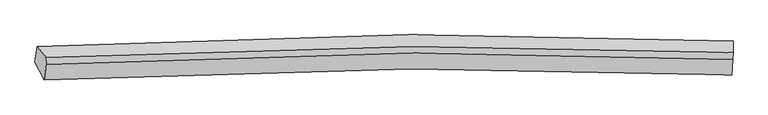
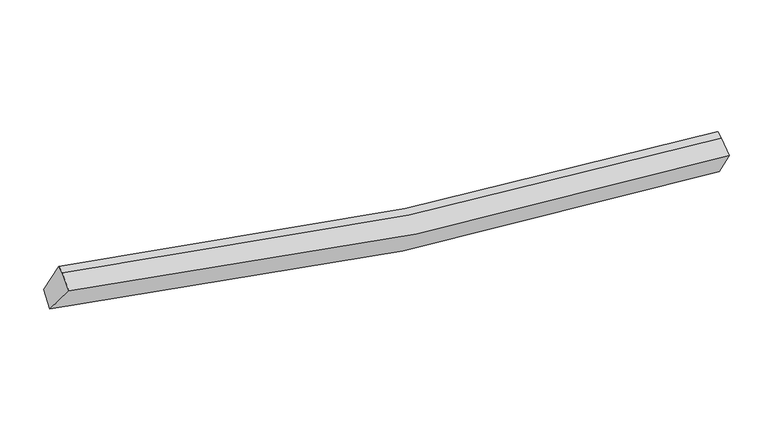
"""IFC4 building model written with IfcOpenShell, lengths in millimetres: proxy geometry."""

from ifc_helpers import new_model, si_unit, frame, origin, place, context, project, spatial, source, transform, mapped, element, save
from ifc_brep_helpers import plane_surface, spline_curve, spline_surface, advanced_brep


def generic_models_b367b0fd(model_context):
    return source(origin(), model_context, "Body", "AdvancedBrep", [
        advanced_brep(
        [(-7002.794632, -2545.094377, 4385.9655256), (-7197.653768, -2160.7264175, 3809.1716379), (7578.9496694, -2052.5333016, 1758.1323094), (7574.0652889, -2439.1242697, 2365.5230948), (-6961.1909362, -2221.3842922, 4597.6974941), (7590.711552, -2115.6919441, 2581.0780661), (-6954.2445693, -2071.7475954, 4653.9167698), (7597.6579189, -1966.0552473, 2637.2973418), (-7149.9576775, -1832.9320368, 4042.4525368), (7596.1451513, -1725.0783718, 1996.08532)],
        [
            (0, 1),
            (1, 2, spline_curve(3, [(-7197.653768, -2160.7264175, 3809.1716379), (-4587.994858914, -2015.202520698, 3111.009017974), (-1957.073484451, -1937.515695848, 2590.576540168), (2974.02480522, -1919.202448393, 1953.403929347), (5268.637910969, -1960.82490147, 1790.156631279), (7578.9496694, -2052.5333016, 1758.1323094)], [4, 2, 4], [0.0, 26.22003486790493, 48.749851806234005])),
            (2, 3),
            (3, 0, spline_curve(3, [(7574.0652889, -2439.1242697, 2365.5230948), (5290.896041297, -2348.67961056, 2397.572545685), (3025.102169051, -2307.578592705, 2558.655024239), (-1840.009201962, -2325.413919363, 3186.404815205), (-4433.168636462, -2401.838306949, 3698.803148104), (-7002.794632, -2545.094377, 4385.9655256)], [4, 2, 4], [0.0, 22.529816938329077, 48.749851806234005])),
            (4, 0),
            (3, 5),
            (5, 4, spline_curve(3, [(7590.711552, -2115.6919441, 2581.0780661), (5308.349387032, -2013.123962862, 2624.839871861), (3044.766439074, -1965.482659539, 2791.94964506), (-1812.523327748, -1981.246697793, 3420.43996285), (-4399.574541706, -2064.118784521, 3925.536665631), (-6961.1909362, -2221.3842922, 4597.6974941)], [4, 2, 4], [0.0, 22.35570451079928, 48.37310861906408])),
            (6, 4),
            (5, 7),
            (7, 6, spline_curve(3, [(7597.6579189, -1966.0552473, 2637.2973418), (5315.02668978, -1869.28337993, 2678.881517461), (3051.299024841, -1824.759507871, 2844.820056033), (-1806.034811659, -1841.47290661, 3472.953694087), (-4392.941310106, -1921.227562326, 3979.221631968), (-6954.2445693, -2071.7475954, 4653.9167698)], [4, 2, 4], [0.0, 22.32216669946083, 48.300539750123406])),
            (8, 6),
            (7, 9),
            (9, 8, spline_curve(3, [(7596.1451513, -1725.0783718, 1996.08532), (5289.841252082, -1624.870791696, 2031.449749999), (2999.555249175, -1578.652901064, 2196.160891154), (-1921.48931507, -1595.46945993, 2832.441104113), (-4546.570922072, -1677.638572583, 3349.852368579), (-7149.9576775, -1832.9320368, 4042.4525368)], [4, 2, 4], [0.0, 22.48594327672495, 48.65491830068211])),
            (1, 8),
            (9, 2),
        ],
        [
            spline_surface(3, 3, [[(-7002.794632, -2545.094377, 4385.9655256), (-4433.168636093, -2401.838306846, 3698.803147714), (-1840.009201739, -2325.413919693, 3186.404815584), (3025.102168859, -2307.578592421, 2558.655023913), (5290.896041444, -2348.679610433, 2397.572545746), (7574.0652889, -2439.1242697, 2365.5230948)], [(-7067.747677315, -2416.971723841, 4193.700896373), (-4484.777377018, -2272.959711382, 3502.871771058), (-1879.030629445, -2196.114511673, 2987.795390388), (3008.07638111, -2178.119877819, 2356.904659143), (5283.476664527, -2219.394707425, 2195.100574215), (7575.693415735, -2310.260613654, 2163.059499669)], [(-7132.700722685, -2288.849070659, 4001.436267127), (-4536.386117999, -2144.081115895, 3306.940394383), (-1918.052057175, -2066.815103633, 2789.185965134), (2991.050593339, -2048.661163197, 2155.154294315), (5276.057287604, -2090.109804455, 1992.628602677), (7577.321542565, -2181.396957646, 1960.595904531)], [(-7197.653768, -2160.7264175, 3809.1716379), (-4587.994858925, -2015.202520431, 3111.009017727), (-1957.073484881, -1937.515695613, 2590.576539938), (2974.02480559, -1919.202448596, 1953.403929545), (5268.637910687, -1960.824901447, 1790.156631146), (7578.9496694, -2052.5333016, 1758.1323094)]], [4, 4], [4, 2, 4], [0.0, 2.361950422353714], [0.0, 26.22003486790493, 48.749851806234005]),
            spline_surface(3, 3, [[(-6961.1909362, -2221.3842922, 4597.6974941), (-4399.574542057, -2064.118784243, 3925.536665802), (-1812.523327567, -1981.246698, 3420.439962995), (3044.766438918, -1965.482659361, 2791.949644935), (5308.349387181, -2013.123962897, 2624.839871729), (7590.711552, -2115.6919441, 2581.0780661)], [(-6975.058834801, -2329.287653787, 4527.120171246), (-4410.772573403, -2176.691958431, 3849.958826419), (-1821.685285607, -2095.96910524, 3342.428247182), (3038.211682249, -2079.514637056, 2714.184771252), (5302.531605291, -2124.975845413, 2549.084096389), (7585.162797656, -2223.502719304, 2509.226408988)], [(-6988.926733399, -2437.191015413, 4456.542848454), (-4421.970604747, -2289.265132658, 3774.380987097), (-1830.847243698, -2210.691512454, 3264.416531397), (3031.656925528, -2193.546614725, 2636.419897596), (5296.713823334, -2236.827727917, 2473.328321086), (7579.614043244, -2331.313494496, 2437.374751912)], [(-7002.794632, -2545.094377, 4385.9655256), (-4433.168636093, -2401.838306846, 3698.803147714), (-1840.009201739, -2325.413919693, 3186.404815584), (3025.102168859, -2307.578592421, 2558.655023913), (5290.896041444, -2348.679610433, 2397.572545746), (7574.0652889, -2439.1242697, 2365.5230948)]], [4, 4], [4, 2, 4], [0.0, 1.3643215049781656], [0.0, 26.017404108264795, 48.37310861906408]),
            spline_surface(3, 3, [[(-6954.2445693, -2071.7475954, 4653.9167698), (-4392.941310522, -1921.227562057, 3979.221632038), (-1806.034812077, -1841.472906947, 3472.95369425), (3051.299025201, -1824.759507581, 2844.820055893), (5315.026689509, -1869.283379983, 2678.881517667), (7597.6579189, -1966.0552473, 2637.2973418)], [(-6956.560024939, -2121.626494333, 4635.17701124), (-4395.152387706, -1968.857969452, 3961.326643299), (-1808.197650602, -1888.064170614, 3455.449117149), (3049.121496412, -1871.667224824, 2827.196585557), (5312.800922061, -1917.230240954, 2660.867635694), (7595.342463261, -2015.934146233, 2618.55758324)], [(-6958.875480561, -2171.505393267, 4616.43725266), (-4397.363464873, -2016.488376848, 3943.431654541), (-1810.360489043, -1934.655434333, 3437.944540097), (3046.943967707, -1918.574942118, 2809.573115271), (5310.575154629, -1965.177101926, 2642.853753702), (7593.027007639, -2065.813045167, 2599.81782466)], [(-6961.1909362, -2221.3842922, 4597.6974941), (-4399.574542057, -2064.118784243, 3925.536665802), (-1812.523327567, -1981.246698, 3420.439962995), (3044.766438918, -1965.482659361, 2791.949644935), (5308.349387181, -2013.123962897, 2624.839871729), (7590.711552, -2115.6919441, 2581.0780661)]], [4, 4], [4, 2, 4], [0.0, 0.49193690749382557], [0.0, 25.978373050662576, 48.300539750123406]),
            spline_surface(3, 3, [[(-7149.9576775, -1832.9320368, 4042.4525368), (-4546.570921858, -1677.638572605, 3349.852368722), (-1921.48931529, -1595.469459943, 2832.441104266), (2999.555249364, -1578.652901052, 2196.160891023), (5289.841252399, -1624.870792045, 2031.44974992), (7596.1451513, -1725.0783718, 1996.08532)], [(-7084.719974758, -1912.537223021, 4246.273947792), (-4495.361051404, -1758.834902443, 3559.642123153), (-1883.004480882, -1677.470608955, 3045.945300935), (3016.803174647, -1660.688436573, 2412.380612654), (5298.236398103, -1706.341654714, 2247.260339188), (7596.649407167, -1805.40399699, 2209.822660619)], [(-7019.482272042, -1992.142409179, 4450.095358808), (-4444.151180976, -1840.031232219, 3769.431877607), (-1844.519646485, -1759.471757935, 3259.449497581), (3034.051099918, -1742.72397206, 2628.600334261), (5306.631543805, -1787.812517314, 2463.070928398), (7597.153663033, -1885.72962211, 2423.560001181)], [(-6954.2445693, -2071.7475954, 4653.9167698), (-4392.941310522, -1921.227562057, 3979.221632038), (-1806.034812077, -1841.472906947, 3472.95369425), (3051.299025201, -1824.759507581, 2844.820055893), (5315.026689509, -1869.283379983, 2678.881517667), (7597.6579189, -1966.0552473, 2637.2973418)]], [4, 4], [4, 2, 4], [0.0, 2.2799303521561898], [0.0, 26.168975023957163, 48.65491830068211]),
            spline_surface(3, 3, [[(-7197.653768, -2160.7264175, 3809.1716379), (-4587.994858925, -2015.202520431, 3111.009017727), (-1957.073484881, -1937.515695613, 2590.576539938), (2974.02480559, -1919.202448596, 1953.403929545), (5268.637910687, -1960.824901447, 1790.156631146), (7578.9496694, -2052.5333016, 1758.1323094)], [(-7181.755071188, -2051.461623919, 3886.931937549), (-4574.186879923, -1902.681204474, 3190.623468074), (-1945.212095018, -1823.500283714, 2671.198061379), (2982.534953515, -1805.685932739, 2034.322916703), (5275.705691238, -1848.8401983, 1870.587670721), (7584.681496681, -1943.38165832, 1837.449979584)], [(-7165.856374312, -1942.196830381, 3964.692237151), (-4560.378900859, -1790.159888562, 3270.237918375), (-1933.350705154, -1709.484871842, 2751.819582825), (2991.045101439, -1692.169416909, 2115.241903865), (5282.773471848, -1736.855495193, 1951.018710344), (7590.413324019, -1834.23001508, 1916.767649816)], [(-7149.9576775, -1832.9320368, 4042.4525368), (-4546.570921858, -1677.638572605, 3349.852368722), (-1921.48931529, -1595.469459943, 2832.441104266), (2999.555249364, -1578.652901052, 2196.160891023), (5289.841252399, -1624.870792045, 2031.44974992), (7596.1451513, -1725.0783718, 1996.08532)]], [4, 4], [4, 2, 4], [0.0, 1.3769865060448885], [0.0, 26.371603634418264, 49.03165749197027]),
            plane_surface(frame((7587.5059161, -2059.6966269, 2267.6232264), z_axis=(0.9990546925022287, -0.039863570038548825, -0.017338315173604443), x_axis=(-0.04341479322782507, -0.9352293549891345, -0.35137047299907365))),
            plane_surface(frame((-7053.1683166, -2166.3769438, 4297.8407928), z_axis=(-0.9573314394338026, -0.061636809005089874, 0.2823427329457472), x_axis=(0.27063768881137573, -0.5338443881629054, 0.8011026217793886))),
        ],
        [
            (0, [[1, 2, 3, 4]]),
            (1, [[5, -4, 6, 7]]),
            (2, [[8, -7, 9, 10]]),
            (3, [[11, -10, 12, 13]]),
            (4, [[14, -13, 15, -2]]),
            (5, [[-9, -6, -3, -15, -12]]),
            (6, [[-1, -5, -8, -11, -14]]),
        ],
    ),
    ])


if __name__ == "__main__":
    model = new_model("IFC4")
    model_context = context("Model", 3, world=origin())
    ifc_project = project(units=[si_unit("LENGTHUNIT", "METRE", prefix="MILLI")], contexts=[model_context])
    site = spatial("IfcSite", under=ifc_project)
    building = spatial("IfcBuilding", under=site)
    placement = place(None, origin())
    generic_models_shape = generic_models_b367b0fd(model_context)
    element("IfcBuildingElementProxy", 1, Name="Generic Models", at=placement, inside=building, context=model_context, shape_type="MappedRepresentation", body=[
        mapped(generic_models_shape, transform((0.0, 0.0, 0.0), x_axis=(1.0, 0.0, 0.0), y_axis=(0.0, 1.0, 0.0), z_axis=(0.0, 0.0, 1.0))),
    ])
    save(model, "model.ifc")
